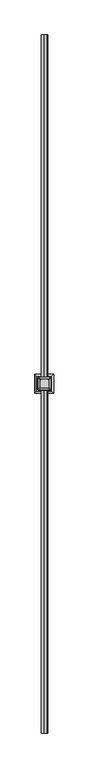
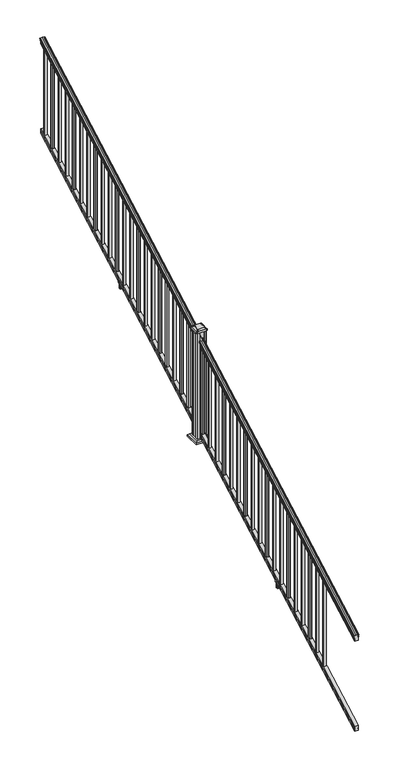
"""IFC4 building model written with IfcOpenShell, lengths in millimetres: railing geometry."""

from ifc_helpers import new_model, si_unit, point, frame, frame_2d, origin, place, context, project, spatial, polyline, circle_curve, ellipse_curve, trimmed, segment, composite_curve, outline, extrude, faceted_brep, source, transform, mapped, element, save
from ifc_brep_helpers import plane_surface, cylinder_surface, revolved_surface, extruded_surface, advanced_brep


def railing_1a8b3f1d(model_context):
    return source(origin(), model_context, "Body", "SolidModel", [
        advanced_brep(
        [(10358.2270946, 1778.9805319, 1111.1933), (10358.2270946, 1778.9805319, 1113.3531886), (10359.3572809, 1778.9805319, 1115.140347), (10359.3572809, 1778.9805319, 1123.3974153), (10358.7080245, 1778.9805319, 1126.1811654), (10361.2080245, 1778.9805319, 1131.1346527), (10362.617367, 1778.9805319, 1133.0560334), (10363.019266, 1778.9805319, 1134.3198045), (10363.0192659, 1778.9805319, 1135.8530343), (10361.4658186, 1778.9805319, 1137.6301141), (10340.7942659, 1778.9805319, 1137.6301141), (10320.1227131, 1778.9805319, 1137.6301141), (10318.5692659, 1778.9805319, 1135.8530343), (10318.5692659, 1778.9805319, 1134.3198045), (10318.9711648, 1778.9805319, 1133.0560334), (10320.3805072, 1778.9805319, 1131.1346527), (10322.8805072, 1778.9805319, 1126.1811654), (10322.2312508, 1778.9805319, 1123.3974153), (10322.2312508, 1778.9805319, 1115.140347), (10323.3614371, 1778.9805319, 1113.3531886), (10323.3614371, 1778.9805319, 1111.1933), (10325.9352659, 1778.9805319, 1111.1933), (10325.9352659, 1778.9805319, 1099.182302), (10324.9192659, 1778.9805319, 1098.0200397), (10324.9192659, 1778.9805319, 1083.7333333), (10356.6692659, 1778.9805319, 1083.7333333), (10356.6692659, 1778.9805319, 1097.8395054), (10355.6532659, 1778.9805319, 1099.0017677), (10355.6532659, 1778.9805319, 1111.1933), (10358.2270946, 6655.7805319, 3820.5266334), (10355.6532659, 6655.7805319, 3820.5266334), (10355.6532659, 6655.7805319, 3808.335101), (10356.6692659, 6655.7805319, 3807.1728388), (10356.6692659, 6655.7805319, 3793.0666667), (10324.9192659, 6655.7805319, 3793.0666667), (10324.9192659, 6655.7805319, 3807.3533731), (10325.9352659, 6655.7805319, 3808.5156353), (10325.9352659, 6655.7805319, 3820.5266334), (10323.3614371, 6655.7805319, 3820.5266334), (10323.3614371, 6655.7805319, 3822.6865219), (10322.2312508, 6655.7805319, 3824.4736803), (10322.2312508, 6655.7805319, 3832.7307486), (10322.8805072, 6655.7805319, 3835.5144987), (10320.3805072, 6655.7805319, 3840.4679861), (10318.9711648, 6655.7805319, 3842.3893668), (10318.5692658, 6655.7805319, 3843.6531378), (10318.5692659, 6655.7805319, 3845.1863676), (10320.1227131, 6655.7805319, 3846.9634474), (10340.7942659, 6655.7805319, 3846.9634474), (10361.4658186, 6655.7805319, 3846.9634474), (10363.0192659, 6655.7805319, 3845.1863676), (10363.0192659, 6655.7805319, 3843.6531378), (10362.617367, 6655.7805319, 3842.3893668), (10361.2080245, 6655.7805319, 3840.4679861), (10358.7080245, 6655.7805319, 3835.5144987), (10359.3572809, 6655.7805319, 3832.7307486), (10359.3572809, 6655.7805319, 3824.4736803), (10358.2270946, 6655.7805319, 3822.6865219)],
        [
            (0, 1),
            (1, 2, ellipse_curve(frame((10351.9123413, 1778.9805319, 1119.9403628), z_axis=(0.0, -1.0, 0.0), x_axis=(0.0, 0.0, -1.0)), 9.7762168, 8.545951)),
            (2, 3, ellipse_curve(frame((10352.3494043, 1778.9805319, 1119.2688811), z_axis=(0.0, -1.0, 0.0), x_axis=(0.0, 0.0, -1.0)), 9.0173521, 7.882584)),
            (3, 4, ellipse_curve(frame((10362.8627284, 1778.9805319, 1125.9582895), z_axis=(0.0, 1.0, 0.0), x_axis=(0.0, 0.0, 1.0)), 4.7580334, 4.1592695)),
            (4, 5, ellipse_curve(frame((10364.150035, 1778.9805319, 1125.8892329), z_axis=(0.0, 1.0, 0.0), x_axis=(0.0, 0.0, 1.0)), 6.2322774, 5.4479907)),
            (5, 6, ellipse_curve(frame((10362.9168765, 1778.9805319, 1131.1314345), z_axis=(0.0, 1.0, 0.0), x_axis=(0.0, 0.0, 1.0)), 1.9548591, 1.7088543)),
            (6, 7, ellipse_curve(frame((10361.2999764, 1778.9805319, 1134.3198045), z_axis=(0.0, -1.0, 0.0), x_axis=(0.0, 0.0, -1.0)), 1.9667965, 1.7192895)),
            (7, 8),
            (8, 9, ellipse_curve(frame((10361.4658186, 1778.9805319, 1135.8530343), z_axis=(0.0, -1.0, 0.0), x_axis=(0.0, 0.0, -1.0)), 1.7770798, 1.5534472)),
            (9, 10),
            (10, 11),
            (11, 12, ellipse_curve(frame((10320.1227131, 1778.9805319, 1135.8530343), z_axis=(0.0, -1.0, 0.0), x_axis=(0.0, 0.0, -1.0)), 1.7770798, 1.5534472)),
            (12, 13),
            (13, 14, ellipse_curve(frame((10320.2885553, 1778.9805319, 1134.3198045), z_axis=(0.0, -1.0, 0.0), x_axis=(0.0, 0.0, -1.0)), 1.9667965, 1.7192895)),
            (14, 15, ellipse_curve(frame((10318.6716552, 1778.9805319, 1131.1314345), z_axis=(0.0, 1.0, 0.0), x_axis=(0.0, 0.0, 1.0)), 1.9548591, 1.7088543)),
            (15, 16, ellipse_curve(frame((10317.4384968, 1778.9805319, 1125.8892329), z_axis=(0.0, 1.0, 0.0), x_axis=(0.0, 0.0, 1.0)), 6.2322774, 5.4479907)),
            (16, 17, ellipse_curve(frame((10318.7258033, 1778.9805319, 1125.9582895), z_axis=(0.0, 1.0, 0.0), x_axis=(0.0, 0.0, 1.0)), 4.7580334, 4.1592695)),
            (17, 18, ellipse_curve(frame((10329.2391275, 1778.9805319, 1119.2688811), z_axis=(0.0, -1.0, 0.0), x_axis=(0.0, 0.0, -1.0)), 9.0173521, 7.882584)),
            (18, 19, ellipse_curve(frame((10329.6761904, 1778.9805319, 1119.9403628), z_axis=(0.0, -1.0, 0.0), x_axis=(0.0, 0.0, -1.0)), 9.7762168, 8.545951)),
            (19, 20),
            (20, 21, ellipse_curve(frame((10324.6483515, 1778.9805319, 1111.1933), z_axis=(0.0, -1.0, 0.0), x_axis=(0.0, 0.0, -1.0)), 1.4721772, 1.2869144)),
            (21, 22),
            (22, 23),
            (23, 24),
            (24, 25),
            (25, 26),
            (26, 27),
            (27, 28),
            (28, 0, ellipse_curve(frame((10356.9401802, 1778.9805319, 1111.1933), z_axis=(0.0, -1.0, 0.0), x_axis=(0.0, 0.0, -1.0)), 1.4721772, 1.2869144)),
            (29, 30, ellipse_curve(frame((10356.9401802, 6655.7805319, 3820.5266334), z_axis=(0.0, 1.0, 0.0), x_axis=(0.0, 0.0, -1.0)), 1.4721772, 1.2869144)),
            (30, 31),
            (31, 32),
            (32, 33),
            (33, 34),
            (34, 35),
            (35, 36),
            (36, 37),
            (37, 38, ellipse_curve(frame((10324.6483515, 6655.7805319, 3820.5266334), z_axis=(0.0, 1.0, 0.0), x_axis=(0.0, 0.0, -1.0)), 1.4721772, 1.2869144)),
            (38, 39),
            (39, 40, ellipse_curve(frame((10329.6761904, 6655.7805319, 3829.2736961), z_axis=(0.0, 1.0, 0.0), x_axis=(0.0, 0.0, -1.0)), 9.7762168, 8.545951)),
            (40, 41, ellipse_curve(frame((10329.2391275, 6655.7805319, 3828.6022145), z_axis=(0.0, 1.0, 0.0), x_axis=(0.0, 0.0, -1.0)), 9.0173521, 7.882584)),
            (41, 42, ellipse_curve(frame((10318.7258033, 6655.7805319, 3835.2916228), z_axis=(0.0, -1.0, 0.0), x_axis=(0.0, 0.0, 1.0)), 4.7580334, 4.1592695)),
            (42, 43, ellipse_curve(frame((10317.4384968, 6655.7805319, 3835.2225663), z_axis=(0.0, -1.0, 0.0), x_axis=(0.0, 0.0, 1.0)), 6.2322774, 5.4479907)),
            (43, 44, ellipse_curve(frame((10318.6716552, 6655.7805319, 3840.4647678), z_axis=(0.0, -1.0, 0.0), x_axis=(0.0, 0.0, 1.0)), 1.9548591, 1.7088543)),
            (44, 45, ellipse_curve(frame((10320.2885553, 6655.7805319, 3843.6531378), z_axis=(0.0, 1.0, 0.0), x_axis=(0.0, 0.0, -1.0)), 1.9667965, 1.7192895)),
            (45, 46),
            (46, 47, ellipse_curve(frame((10320.1227131, 6655.7805319, 3845.1863676), z_axis=(0.0, 1.0, 0.0), x_axis=(0.0, 0.0, -1.0)), 1.7770798, 1.5534472)),
            (47, 48),
            (48, 49),
            (49, 50, ellipse_curve(frame((10361.4658186, 6655.7805319, 3845.1863676), z_axis=(0.0, 1.0, 0.0), x_axis=(0.0, 0.0, -1.0)), 1.7770798, 1.5534472)),
            (50, 51),
            (51, 52, ellipse_curve(frame((10361.2999764, 6655.7805319, 3843.6531378), z_axis=(0.0, 1.0, 0.0), x_axis=(0.0, 0.0, -1.0)), 1.9667965, 1.7192895)),
            (52, 53, ellipse_curve(frame((10362.9168765, 6655.7805319, 3840.4647678), z_axis=(0.0, -1.0, 0.0), x_axis=(0.0, 0.0, 1.0)), 1.9548591, 1.7088543)),
            (53, 54, ellipse_curve(frame((10364.150035, 6655.7805319, 3835.2225663), z_axis=(0.0, -1.0, 0.0), x_axis=(0.0, 0.0, 1.0)), 6.2322774, 5.4479907)),
            (54, 55, ellipse_curve(frame((10362.8627284, 6655.7805319, 3835.2916228), z_axis=(0.0, -1.0, 0.0), x_axis=(0.0, 0.0, 1.0)), 4.7580334, 4.1592695)),
            (55, 56, ellipse_curve(frame((10352.3494043, 6655.7805319, 3828.6022145), z_axis=(0.0, 1.0, 0.0), x_axis=(0.0, 0.0, -1.0)), 9.0173521, 7.882584)),
            (56, 57, ellipse_curve(frame((10351.9123413, 6655.7805319, 3829.2736961), z_axis=(0.0, 1.0, 0.0), x_axis=(0.0, 0.0, -1.0)), 9.7762168, 8.545951)),
            (57, 29),
            (0, 29),
            (57, 1),
            (56, 2),
            (55, 3),
            (54, 4),
            (53, 5),
            (52, 6),
            (51, 7),
            (50, 8),
            (49, 9),
            (48, 10),
            (47, 11),
            (46, 12),
            (45, 13),
            (44, 14),
            (43, 15),
            (42, 16),
            (41, 17),
            (40, 18),
            (39, 19),
            (38, 20),
            (37, 21),
            (36, 22),
            (35, 23),
            (34, 24),
            (33, 25),
            (32, 26),
            (31, 27),
            (30, 28),
        ],
        [
            plane_surface(frame((10340.7942659, 1778.9805319, 1083.7333333), z_axis=(0.0, -1.0, 0.0), x_axis=(0.0, 0.0, 1.0))),
            plane_surface(frame((10340.7942659, 6655.7805319, 3793.0666667), z_axis=(0.0, 1.0, 0.0), x_axis=(0.0, 0.0, 1.0))),
            plane_surface(frame((10358.2270946, 1778.9805319, 1111.1933), z_axis=(1.0, 0.0, 0.0), x_axis=(0.0, 0.87415727612157, 0.4856429311785742))),
            cylinder_surface(frame((10351.9123413, 1763.6096232, 1111.4009691), z_axis=(0.0, -0.87415727612157, -0.4856429311785741), x_axis=(-1.0, 0.0, 0.0)), 8.545951),
            cylinder_surface(frame((10352.3494043, 1763.8946861, 1110.8878557), z_axis=(0.0, -0.87415727612157, -0.4856429311785741), x_axis=(-1.0, 0.0, 0.0)), 7.882584),
            revolved_surface(polyline([(10358.7034589, 6657.80045174452, 3836.4138004798638), (10358.7034589, 1776.9606120792462, 1124.8361117773575)]), (10362.8627284, 1761.054843, 1115.9995734), (0.0, 0.87415727612157, 0.4856429311785741)),
            revolved_surface(polyline([(10358.7020443, 6658.42631004169, 3836.692443044958), (10358.7020443, 1776.3347537301895, 1124.4193562056596)]), (10364.150035, 1761.0841594, 1115.9468038), (0.0, 0.87415727612157, 0.4856429311785741)),
            revolved_surface(polyline([(10361.208022199999, 6656.610424923765, 3840.925819457222), (10361.208022199999, 1778.1506389094347, 1130.6703827830177)]), (10362.9168765, 1758.8586965, 1119.952637), (0.0, 0.87415727612157, 0.4856429311785741)),
            cylinder_surface(frame((10361.2999764, 1757.5051432, 1122.389033), z_axis=(0.0, -0.87415727612157, -0.4856429311785741), x_axis=(-1.0, 0.0, 0.0)), 1.7192895),
            plane_surface(frame((10363.0192659, 1778.9805319, 1134.3198045), z_axis=(1.0, 0.0, 0.0), x_axis=(0.0, 0.87415727612157, 0.4856429311785742))),
            cylinder_surface(frame((10361.4658186, 1756.8542438, 1123.560652), z_axis=(0.0, -0.87415727612157, -0.4856429311785741), x_axis=(-1.0, 0.0, 0.0)), 1.5534472),
            plane_surface(frame((10361.4658186, 1778.9805319, 1137.6301141), z_axis=(0.0, -0.4856429311785742, 0.87415727612157), x_axis=(0.0, 0.87415727612157, 0.4856429311785742))),
            plane_surface(frame((10340.7942659, 1778.9805319, 1137.6301141), z_axis=(0.0, -0.4856429311785742, 0.87415727612157), x_axis=(0.0, 0.87415727612157, 0.4856429311785742))),
            cylinder_surface(frame((10320.1227131, 1756.8542438, 1123.560652), z_axis=(0.0, -0.87415727612157, -0.4856429311785741), x_axis=(1.0, 0.0, 0.0)), 1.5534472),
            plane_surface(frame((10318.5692659, 1778.9805319, 1135.8530343), z_axis=(-1.0, 0.0, 0.0), x_axis=(0.0, 0.87415727612157, 0.4856429311785741))),
            cylinder_surface(frame((10320.2885553, 1757.5051432, 1122.389033), z_axis=(0.0, -0.87415727612157, -0.4856429311785741), x_axis=(1.0, 0.0, 0.0)), 1.7192895),
            revolved_surface(polyline([(10320.3805095, 6656.610424923765, 3840.925819457222), (10320.3805095, 1778.1506389094347, 1130.6703827830177)]), (10318.6716552, 1758.8586965, 1119.952637), (0.0, 0.87415727612157, 0.4856429311785741)),
            revolved_surface(polyline([(10322.8864875, 6658.42631004169, 3836.692443044958), (10322.8864875, 1776.3347537301895, 1124.4193562056596)]), (10317.4384968, 1761.0841594, 1115.9468038), (0.0, 0.87415727612157, 0.4856429311785741)),
            revolved_surface(polyline([(10322.8850728, 6657.80045174452, 3836.4138004798638), (10322.8850728, 1776.9606120792462, 1124.8361117773575)]), (10318.7258033, 1761.054843, 1115.9995734), (0.0, 0.87415727612157, 0.4856429311785741)),
            cylinder_surface(frame((10329.2391275, 1763.8946861, 1110.8878557), z_axis=(0.0, -0.87415727612157, -0.4856429311785741), x_axis=(1.0, 0.0, 0.0)), 7.882584),
            cylinder_surface(frame((10329.6761904, 1763.6096232, 1111.4009691), z_axis=(0.0, -0.87415727612157, -0.4856429311785741), x_axis=(1.0, 0.0, 0.0)), 8.545951),
            plane_surface(frame((10323.3614371, 1778.9805319, 1113.3531886), z_axis=(-1.0, 0.0, 0.0), x_axis=(0.0, 0.87415727612157, 0.4856429311785741))),
            cylinder_surface(frame((10324.6483515, 1767.3229989, 1104.7168928), z_axis=(0.0, -0.87415727612157, -0.4856429311785741), x_axis=(1.0, 0.0, 0.0)), 1.2869144),
            plane_surface(frame((10325.9352659, 1778.9805319, 1111.1933), z_axis=(-1.0, 0.0, 0.0), x_axis=(0.0, 0.87415727612157, 0.4856429311785742))),
            plane_surface(frame((10325.9352659, 1778.9805319, 1099.182302), z_axis=(-0.7071067811865438, -0.3434014098716826, 0.6181225377691273), x_axis=(0.0, 0.87415727612157, 0.4856429311785743))),
            plane_surface(frame((10324.9192659, 1778.9805319, 1098.0200397), z_axis=(-1.0, 0.0, 0.0), x_axis=(0.0, 0.87415727612157, 0.4856429311785741))),
            plane_surface(frame((10324.9192659, 1778.9805319, 1083.7333333), z_axis=(0.0, 0.4856429311785741, -0.87415727612157), x_axis=(0.0, 0.87415727612157, 0.4856429311785741))),
            plane_surface(frame((10356.6692659, 1778.9805319, 1083.7333333), z_axis=(1.0, 0.0, 0.0), x_axis=(0.0, 0.87415727612157, 0.4856429311785741))),
            plane_surface(frame((10356.6692659, 1778.9805319, 1097.8395054), z_axis=(0.7071067811865391, -0.34340140987168666, 0.6181225377691304), x_axis=(0.0, 0.87415727612157, 0.4856429311785741))),
            plane_surface(frame((10355.6532659, 1778.9805319, 1099.0017677), z_axis=(1.0, 0.0, 0.0), x_axis=(0.0, 0.87415727612157, 0.4856429311785741))),
            cylinder_surface(frame((10356.9401802, 1767.3229989, 1104.7168928), z_axis=(0.0, -0.87415727612157, -0.4856429311785741), x_axis=(-1.0, 0.0, 0.0)), 1.2869144),
        ],
        [
            (0, [[1, 2, 3, 4, 5, 6, 7, 8, 9, 10, 11, 12, 13, 14, 15, 16, 17, 18, 19, 20, 21, 22, 23, 24, 25, 26, 27, 28, 29]]),
            (1, [[30, 31, 32, 33, 34, 35, 36, 37, 38, 39, 40, 41, 42, 43, 44, 45, 46, 47, 48, 49, 50, 51, 52, 53, 54, 55, 56, 57, 58]]),
            (2, [[-1, 59, -58, 60]]),
            (3, [[-2, -60, -57, 61]]),
            (4, [[-3, -61, -56, 62]]),
            (5, [[-4, -62, -55, 63]]),
            (6, [[-5, -63, -54, 64]]),
            (7, [[-6, -64, -53, 65]]),
            (8, [[-7, -65, -52, 66]]),
            (9, [[-8, -66, -51, 67]]),
            (10, [[-9, -67, -50, 68]]),
            (11, [[-10, -68, -49, 69]]),
            (12, [[-11, -69, -48, 70]]),
            (13, [[-12, -70, -47, 71]]),
            (14, [[-13, -71, -46, 72]]),
            (15, [[-14, -72, -45, 73]]),
            (16, [[-15, -73, -44, 74]]),
            (17, [[-16, -74, -43, 75]]),
            (18, [[-17, -75, -42, 76]]),
            (19, [[-18, -76, -41, 77]]),
            (20, [[-19, -77, -40, 78]]),
            (21, [[-20, -78, -39, 79]]),
            (22, [[-21, -79, -38, 80]]),
            (23, [[-22, -80, -37, 81]]),
            (24, [[-23, -81, -36, 82]]),
            (25, [[-24, -82, -35, 83]]),
            (26, [[-25, -83, -34, 84]]),
            (27, [[-26, -84, -33, 85]]),
            (28, [[-27, -85, -32, 86]]),
            (29, [[-28, -86, -31, 87]]),
            (30, [[-29, -87, -30, -59]]),
        ],
    ),
        faceted_brep([(10356.7067528, 1778.9805319, 247.1948195), (10355.6907528, 1778.9805319, 248.6824473), (10355.6907528, 1778.9805319, 260.5333506), (10356.7067528, 1778.9805319, 262.0757247), (10356.7067528, 1778.9805319, 276.4134523), (10324.9567528, 1778.9805319, 276.4134523), (10324.9567528, 1778.9805319, 262.0566814), (10325.9727528, 1778.9805319, 260.5143074), (10325.9727528, 1778.9805319, 248.7181503), (10324.9567528, 1778.9805319, 247.1757762), (10324.9567528, 1778.9805319, 232.8333333), (10356.7067528, 1778.9805319, 232.8333333), (10356.7067528, 6655.7805319, 2956.5281528), (10356.7067528, 6655.7805319, 2942.1666667), (10324.9567528, 6655.7805319, 2942.1666667), (10324.9567528, 6655.7805319, 2956.5091096), (10325.9727528, 6655.7805319, 2958.0514837), (10325.9727528, 6655.7805319, 2969.8476407), (10324.9567528, 6655.7805319, 2971.3900148), (10324.9567528, 6655.7805319, 2985.7467856), (10356.7067528, 6655.7805319, 2985.7467856), (10356.7067528, 6655.7805319, 2971.409058), (10355.6907528, 6655.7805319, 2969.8666839), (10355.6907528, 6655.7805319, 2958.0157807)], [[[0, 1, 2, 3, 4, 5, 6, 7, 8, 9, 10, 11]], [[12, 13, 14, 15, 16, 17, 18, 19, 20, 21, 22, 23]], [[1, 0, 12, 23]], [[2, 1, 23, 22]], [[3, 2, 22, 21]], [[4, 3, 21, 20]], [[5, 4, 20, 19]], [[6, 5, 19, 18]], [[7, 6, 18, 17]], [[8, 7, 17, 16]], [[9, 8, 16, 15]], [[10, 9, 15, 14]], [[11, 10, 14, 13]], [[0, 11, 13, 12]]]),
        extrude(outline(polyline([(10350.3192659, 6599.0115319), (10331.2692659, 6599.0115319), (10331.2692659, 6618.0615319), (10350.3192659, 6618.0615319), (10350.3192659, 6599.0115319)]), holes=[polyline([(10349.9223909, 6599.4084069), (10349.9223909, 6617.6646569), (10331.6661409, 6617.6646569), (10331.6661409, 6599.4084069), (10349.9223909, 6599.4084069)])]), frame((0.0, 0.0, 2954.0158781), z_axis=(0.0, 0.0, 1.0), x_axis=(1.0, 0.0, 0.0)), (0.0, 0.0, 1.0), 812.8041219),
        extrude(outline(polyline([(10350.3192659, 6487.7595319), (10331.2692659, 6487.7595319), (10331.2692659, 6506.8095319), (10350.3192659, 6506.8095319), (10350.3192659, 6487.7595319)]), holes=[polyline([(10349.9223909, 6488.1564069), (10349.9223909, 6506.4126569), (10331.6661409, 6506.4126569), (10331.6661409, 6488.1564069), (10349.9223909, 6488.1564069)])]), frame((0.0, 0.0, 2892.2092114), z_axis=(0.0, 0.0, 1.0), x_axis=(1.0, 0.0, 0.0)), (0.0, 0.0, 1.0), 812.8041219),
        extrude(outline(polyline([(10350.3192659, 6376.5075319), (10331.2692659, 6376.5075319), (10331.2692659, 6395.5575319), (10350.3192659, 6395.5575319), (10350.3192659, 6376.5075319)]), holes=[polyline([(10349.9223909, 6376.9044069), (10349.9223909, 6395.1606569), (10331.6661409, 6395.1606569), (10331.6661409, 6376.9044069), (10349.9223909, 6376.9044069)])]), frame((0.0, 0.0, 2830.4025447), z_axis=(0.0, 0.0, 1.0), x_axis=(1.0, 0.0, 0.0)), (0.0, 0.0, 1.0), 812.8041219),
        extrude(outline(polyline([(10350.3192659, 6265.2555319), (10331.2692659, 6265.2555319), (10331.2692659, 6284.3055319), (10350.3192659, 6284.3055319), (10350.3192659, 6265.2555319)]), holes=[polyline([(10349.9223909, 6265.6524069), (10349.9223909, 6283.9086569), (10331.6661409, 6283.9086569), (10331.6661409, 6265.6524069), (10349.9223909, 6265.6524069)])]), frame((0.0, 0.0, 2768.5958781), z_axis=(0.0, 0.0, 1.0), x_axis=(1.0, 0.0, 0.0)), (0.0, 0.0, 1.0), 812.8041219),
        extrude(outline(polyline([(10350.3192659, 6154.0035319), (10331.2692659, 6154.0035319), (10331.2692659, 6173.0535319), (10350.3192659, 6173.0535319), (10350.3192659, 6154.0035319)]), holes=[polyline([(10349.9223909, 6154.4004069), (10349.9223909, 6172.6566569), (10331.6661409, 6172.6566569), (10331.6661409, 6154.4004069), (10349.9223909, 6154.4004069)])]), frame((0.0, 0.0, 2706.7892114), z_axis=(0.0, 0.0, 1.0), x_axis=(1.0, 0.0, 0.0)), (0.0, 0.0, 1.0), 812.8041219),
        extrude(outline(polyline([(10350.3192659, 6042.7515319), (10331.2692659, 6042.7515319), (10331.2692659, 6061.8015319), (10350.3192659, 6061.8015319), (10350.3192659, 6042.7515319)]), holes=[polyline([(10349.9223909, 6043.1484069), (10349.9223909, 6061.4046569), (10331.6661409, 6061.4046569), (10331.6661409, 6043.1484069), (10349.9223909, 6043.1484069)])]), frame((0.0, 0.0, 2644.9825447), z_axis=(0.0, 0.0, 1.0), x_axis=(1.0, 0.0, 0.0)), (0.0, 0.0, 1.0), 812.8041219),
        extrude(outline(polyline([(10350.3192659, 5931.4995319), (10331.2692659, 5931.4995319), (10331.2692659, 5950.5495319), (10350.3192659, 5950.5495319), (10350.3192659, 5931.4995319)]), holes=[polyline([(10349.9223909, 5931.8964069), (10349.9223909, 5950.1526569), (10331.6661409, 5950.1526569), (10331.6661409, 5931.8964069), (10349.9223909, 5931.8964069)])]), frame((0.0, 0.0, 2583.1758781), z_axis=(0.0, 0.0, 1.0), x_axis=(1.0, 0.0, 0.0)), (0.0, 0.0, 1.0), 812.8041219),
        extrude(outline(polyline([(10350.3192659, 5820.2475319), (10331.2692659, 5820.2475319), (10331.2692659, 5839.2975319), (10350.3192659, 5839.2975319), (10350.3192659, 5820.2475319)]), holes=[polyline([(10349.9223909, 5820.6444069), (10349.9223909, 5838.9006569), (10331.6661409, 5838.9006569), (10331.6661409, 5820.6444069), (10349.9223909, 5820.6444069)])]), frame((0.0, 0.0, 2521.3692114), z_axis=(0.0, 0.0, 1.0), x_axis=(1.0, 0.0, 0.0)), (0.0, 0.0, 1.0), 812.8041219),
        extrude(outline(polyline([(10350.3192659, 5708.9955319), (10331.2692659, 5708.9955319), (10331.2692659, 5728.0455319), (10350.3192659, 5728.0455319), (10350.3192659, 5708.9955319)]), holes=[polyline([(10349.9223909, 5709.3924069), (10349.9223909, 5727.6486569), (10331.6661409, 5727.6486569), (10331.6661409, 5709.3924069), (10349.9223909, 5709.3924069)])]), frame((0.0, 0.0, 2459.5625447), z_axis=(0.0, 0.0, 1.0), x_axis=(1.0, 0.0, 0.0)), (0.0, 0.0, 1.0), 812.8041219),
        extrude(outline(polyline([(10350.3192659, 5597.7435319), (10331.2692659, 5597.7435319), (10331.2692659, 5616.7935319), (10350.3192659, 5616.7935319), (10350.3192659, 5597.7435319)]), holes=[polyline([(10349.9223909, 5598.1404069), (10349.9223909, 5616.3966569), (10331.6661409, 5616.3966569), (10331.6661409, 5598.1404069), (10349.9223909, 5598.1404069)])]), frame((0.0, 0.0, 2397.7558781), z_axis=(0.0, 0.0, 1.0), x_axis=(1.0, 0.0, 0.0)), (0.0, 0.0, 1.0), 812.8041219),
        extrude(outline(polyline([(10350.3192659, 5486.4915319), (10331.2692659, 5486.4915319), (10331.2692659, 5505.5415319), (10350.3192659, 5505.5415319), (10350.3192659, 5486.4915319)]), holes=[polyline([(10349.9223909, 5486.8884069), (10349.9223909, 5505.1446569), (10331.6661409, 5505.1446569), (10331.6661409, 5486.8884069), (10349.9223909, 5486.8884069)])]), frame((0.0, 0.0, 2335.9492114), z_axis=(0.0, 0.0, 1.0), x_axis=(1.0, 0.0, 0.0)), (0.0, 0.0, 1.0), 812.8041219),
        extrude(outline(polyline([(2290.0537313, 10322.6332671), (2289.2917302, 10321.871266), (2262.8013357, 10321.871266), (2262.0393346, 10322.6332671), (2262.0393346, 10332.6662661), (2261.2773345, 10333.4282662), (2202.0953334, 10333.4282662), (2201.3333333, 10334.1902663), (2201.3333333, 10347.3982655), (2202.0953344, 10348.1602665), (2261.2773345, 10348.1602665), (2262.0393346, 10348.9222666), (2262.0393346, 10358.9552657), (2262.8013357, 10359.7172667), (2289.2917302, 10359.7172667), (2290.0537313, 10358.9552657), (2290.0537313, 10356.9232661), (2289.0377286, 10355.9072663), (2278.6019414, 10355.9072663), (2277.5859407, 10356.9232661), (2265.5953344, 10356.9232661), (2264.8333352, 10356.1612669), (2264.8333352, 10325.4272658), (2265.5953344, 10324.6652666), (2277.5859407, 10324.6652666), (2278.6019414, 10325.6812664), (2289.0377286, 10325.6812664), (2290.0537313, 10324.6652666), (2290.0537313, 10322.6332671)]), holes=[polyline([(2262.0393346, 10344.2232663), (2261.2773345, 10344.9852663), (2205.2703365, 10344.9852663), (2204.5083364, 10344.2232663), (2204.5083364, 10337.3652636), (2205.2703336, 10336.6032664), (2261.2773345, 10336.6032664), (2262.0393346, 10337.3652665), (2262.0393346, 10344.2232663)])]), frame((0.0, 5433.0245319, 0.0), z_axis=(0.0, 1.0, 0.0), x_axis=(0.0, 0.0, 1.0)), (0.0, 0.0, 1.0), 14.732),
        extrude(outline(polyline([(10350.3192659, 5375.2395319), (10331.2692659, 5375.2395319), (10331.2692659, 5394.2895319), (10350.3192659, 5394.2895319), (10350.3192659, 5375.2395319)]), holes=[polyline([(10349.9223909, 5375.6364069), (10349.9223909, 5393.8926569), (10331.6661409, 5393.8926569), (10331.6661409, 5375.6364069), (10349.9223909, 5375.6364069)])]), frame((0.0, 0.0, 2274.1425447), z_axis=(0.0, 0.0, 1.0), x_axis=(1.0, 0.0, 0.0)), (0.0, 0.0, 1.0), 812.8041219),
        extrude(outline(polyline([(10350.3192659, 5263.9875319), (10331.2692659, 5263.9875319), (10331.2692659, 5283.0375319), (10350.3192659, 5283.0375319), (10350.3192659, 5263.9875319)]), holes=[polyline([(10349.9223909, 5264.3844069), (10349.9223909, 5282.6406569), (10331.6661409, 5282.6406569), (10331.6661409, 5264.3844069), (10349.9223909, 5264.3844069)])]), frame((0.0, 0.0, 2212.3358781), z_axis=(0.0, 0.0, 1.0), x_axis=(1.0, 0.0, 0.0)), (0.0, 0.0, 1.0), 812.8041219),
        extrude(outline(polyline([(10350.3192659, 5152.7355319), (10331.2692659, 5152.7355319), (10331.2692659, 5171.7855319), (10350.3192659, 5171.7855319), (10350.3192659, 5152.7355319)]), holes=[polyline([(10349.9223909, 5153.1324069), (10349.9223909, 5171.3886569), (10331.6661409, 5171.3886569), (10331.6661409, 5153.1324069), (10349.9223909, 5153.1324069)])]), frame((0.0, 0.0, 2150.5292114), z_axis=(0.0, 0.0, 1.0), x_axis=(1.0, 0.0, 0.0)), (0.0, 0.0, 1.0), 812.8041219),
        extrude(outline(polyline([(10350.3192659, 5041.4835319), (10331.2692659, 5041.4835319), (10331.2692659, 5060.5335319), (10350.3192659, 5060.5335319), (10350.3192659, 5041.4835319)]), holes=[polyline([(10349.9223909, 5041.8804069), (10349.9223909, 5060.1366569), (10331.6661409, 5060.1366569), (10331.6661409, 5041.8804069), (10349.9223909, 5041.8804069)])]), frame((0.0, 0.0, 2088.7225447), z_axis=(0.0, 0.0, 1.0), x_axis=(1.0, 0.0, 0.0)), (0.0, 0.0, 1.0), 812.8041219),
        extrude(outline(polyline([(10350.3192659, 4930.2315319), (10331.2692659, 4930.2315319), (10331.2692659, 4949.2815319), (10350.3192659, 4949.2815319), (10350.3192659, 4930.2315319)]), holes=[polyline([(10349.9223909, 4930.6284069), (10349.9223909, 4948.8846569), (10331.6661409, 4948.8846569), (10331.6661409, 4930.6284069), (10349.9223909, 4930.6284069)])]), frame((0.0, 0.0, 2026.9158781), z_axis=(0.0, 0.0, 1.0), x_axis=(1.0, 0.0, 0.0)), (0.0, 0.0, 1.0), 812.8041219),
        extrude(outline(polyline([(10350.3192659, 4818.9795319), (10331.2692659, 4818.9795319), (10331.2692659, 4838.0295319), (10350.3192659, 4838.0295319), (10350.3192659, 4818.9795319)]), holes=[polyline([(10349.9223909, 4819.3764069), (10349.9223909, 4837.6326569), (10331.6661409, 4837.6326569), (10331.6661409, 4819.3764069), (10349.9223909, 4819.3764069)])]), frame((0.0, 0.0, 1965.1092114), z_axis=(0.0, 0.0, 1.0), x_axis=(1.0, 0.0, 0.0)), (0.0, 0.0, 1.0), 812.8041219),
        extrude(outline(polyline([(10350.3192659, 4707.7275319), (10331.2692659, 4707.7275319), (10331.2692659, 4726.7775319), (10350.3192659, 4726.7775319), (10350.3192659, 4707.7275319)]), holes=[polyline([(10349.9223909, 4708.1244069), (10349.9223909, 4726.3806569), (10331.6661409, 4726.3806569), (10331.6661409, 4708.1244069), (10349.9223909, 4708.1244069)])]), frame((0.0, 0.0, 1903.3025447), z_axis=(0.0, 0.0, 1.0), x_axis=(1.0, 0.0, 0.0)), (0.0, 0.0, 1.0), 812.8041219),
        extrude(outline(polyline([(10350.3192659, 4596.4755319), (10331.2692659, 4596.4755319), (10331.2692659, 4615.5255319), (10350.3192659, 4615.5255319), (10350.3192659, 4596.4755319)]), holes=[polyline([(10349.9223909, 4596.8724069), (10349.9223909, 4615.1286569), (10331.6661409, 4615.1286569), (10331.6661409, 4596.8724069), (10349.9223909, 4596.8724069)])]), frame((0.0, 0.0, 1841.4958781), z_axis=(0.0, 0.0, 1.0), x_axis=(1.0, 0.0, 0.0)), (0.0, 0.0, 1.0), 812.8041219),
        extrude(outline(polyline([(10350.3192659, 4485.2235319), (10331.2692659, 4485.2235319), (10331.2692659, 4504.2735319), (10350.3192659, 4504.2735319), (10350.3192659, 4485.2235319)]), holes=[polyline([(10349.9223909, 4485.6204069), (10349.9223909, 4503.8766569), (10331.6661409, 4503.8766569), (10331.6661409, 4485.6204069), (10349.9223909, 4485.6204069)])]), frame((0.0, 0.0, 1779.6892114), z_axis=(0.0, 0.0, 1.0), x_axis=(1.0, 0.0, 0.0)), (0.0, 0.0, 1.0), 812.8041219),
        extrude(outline(polyline([(10350.3192659, 4373.9715319), (10331.2692659, 4373.9715319), (10331.2692659, 4393.0215319), (10350.3192659, 4393.0215319), (10350.3192659, 4373.9715319)]), holes=[polyline([(10349.9223909, 4374.3684069), (10349.9223909, 4392.6246569), (10331.6661409, 4392.6246569), (10331.6661409, 4374.3684069), (10349.9223909, 4374.3684069)])]), frame((0.0, 0.0, 1717.8825447), z_axis=(0.0, 0.0, 1.0), x_axis=(1.0, 0.0, 0.0)), (0.0, 0.0, 1.0), 812.8041219),
        extrude(outline(polyline([(10350.3192659, 4262.7195319), (10331.2692659, 4262.7195319), (10331.2692659, 4281.7695319), (10350.3192659, 4281.7695319), (10350.3192659, 4262.7195319)]), holes=[polyline([(10349.9223909, 4263.1164069), (10349.9223909, 4281.3726569), (10331.6661409, 4281.3726569), (10331.6661409, 4263.1164069), (10349.9223909, 4263.1164069)])]), frame((0.0, 0.0, 1656.0758781), z_axis=(0.0, 0.0, 1.0), x_axis=(1.0, 0.0, 0.0)), (0.0, 0.0, 1.0), 812.8041219),
        faceted_brep([(10393.3802034, 4167.3345944, 1552.575), (10393.3802034, 4272.5064694, 1552.575), (10288.2083284, 4272.5064694, 1552.575), (10288.2083284, 4167.3345944, 1552.575), (10407.4196565, 4153.2951413, 1539.24), (10274.1688753, 4153.2951413, 1539.24), (10274.1688753, 4286.5459225, 1539.24), (10407.4196565, 4286.5459225, 1539.24)], [[[0, 1, 2, 3]], [[4, 5, 6, 7]], [[4, 0, 3, 5]], [[5, 3, 2, 6]], [[6, 2, 1, 7]], [[7, 1, 0, 4]]]),
        extrude(outline(polyline([(10407.4196565, 4153.2951413), (10274.1688753, 4153.2951413), (10274.1688753, 4286.5459225), (10407.4196565, 4286.5459225), (10407.4196565, 4153.2951413)])), frame((0.0, 0.0, 1524.0), z_axis=(0.0, 0.0, 1.0), x_axis=(1.0, 0.0, 0.0)), (0.0, 0.0, 1.0), 15.24),
        advanced_brep(
        [(10314.9973909, 4190.9486569, 2585.3503741), (10366.5911409, 4190.9486569, 2585.3503741), (10369.7661409, 4194.1236569, 2585.3503741), (10369.7661409, 4245.7174069, 2585.3503741), (10366.5911409, 4248.8924069, 2585.3503741), (10314.9973909, 4248.8924069, 2585.3503741), (10311.8223909, 4245.7174069, 2585.3503741), (10311.8223909, 4194.1236569, 2585.3503741), (10298.7255159, 4174.6767819, 2574.0473741), (10295.5505159, 4177.8517819, 2574.0473741), (10295.5505159, 4261.9892819, 2574.0473741), (10298.7255159, 4265.1642819, 2574.0473741), (10382.8630159, 4265.1642819, 2574.0473741), (10386.0380159, 4261.9892819, 2574.0473741), (10386.0380159, 4177.8517819, 2574.0473741), (10382.8630159, 4174.6767819, 2574.0473741)],
        [
            (0, 1),
            (1, 2, circle_curve(frame((10366.5911409, 4194.1236569, 2585.3503741), z_axis=(0.0, 0.0, 1.0), x_axis=(0.0, 1.0, 0.0)), 3.175)),
            (2, 3),
            (3, 4, circle_curve(frame((10366.5911409, 4245.7174069, 2585.3503741), z_axis=(0.0, 0.0, 1.0), x_axis=(0.0, 1.0, 0.0)), 3.175)),
            (4, 5),
            (5, 6, circle_curve(frame((10314.9973909, 4245.7174069, 2585.3503741), z_axis=(0.0, 0.0, 1.0), x_axis=(0.0, 1.0, 0.0)), 3.175)),
            (6, 7),
            (7, 0, circle_curve(frame((10314.9973909, 4194.1236569, 2585.3503741), z_axis=(0.0, 0.0, 1.0), x_axis=(0.0, 1.0, 0.0)), 3.175)),
            (8, 9, circle_curve(frame((10298.7255159, 4177.8517819, 2574.0473741), z_axis=(0.0, 0.0, -1.0), x_axis=(0.0, 1.0, 0.0)), 3.175)),
            (9, 10),
            (10, 11, circle_curve(frame((10298.7255159, 4261.9892819, 2574.0473741), z_axis=(0.0, 0.0, -1.0), x_axis=(0.0, 1.0, 0.0)), 3.175)),
            (11, 12),
            (12, 13, circle_curve(frame((10382.8630159, 4261.9892819, 2574.0473741), z_axis=(0.0, 0.0, -1.0), x_axis=(0.0, 1.0, 0.0)), 3.175)),
            (13, 14),
            (14, 15, circle_curve(frame((10382.8630159, 4177.8517819, 2574.0473741), z_axis=(0.0, 0.0, -1.0), x_axis=(0.0, 1.0, 0.0)), 3.175)),
            (15, 8),
            (8, 0),
            (7, 9),
            (6, 10),
            (5, 11),
            (4, 12),
            (3, 13),
            (2, 14),
            (1, 15),
        ],
        [
            plane_surface(frame((10340.7942659, 4219.9205319, 2585.3503741), z_axis=(0.0, 0.0, 1.0), x_axis=(-1.0, 0.0, 0.0))),
            plane_surface(frame((10340.7942659, 4219.9205319, 2574.0473741), z_axis=(0.0, 0.0, -1.0), x_axis=(-1.0, 0.0, 0.0))),
            extruded_surface(trimmed(circle_curve(frame((10314.9973909, 4194.1236569, 2585.3503741), z_axis=(0.0, 0.0, -1.0), x_axis=(0.0, 1.0, 0.0)), 3.175), [point((10314.9973909, 4190.9486569, 2585.3503741))], [point((10311.8223909, 4194.1236569, 2585.3503741))], True, "CARTESIAN"), (-16.271875000000364, -16.271875000000364, -11.302999999999884), 25.63797263886657),
            plane_surface(frame((10295.5505159, 4219.9205319, 2574.0473741), z_axis=(-0.5705009161540779, 0.0, 0.8212969649690408), x_axis=(0.0, 1.0, 0.0))),
            extruded_surface(trimmed(circle_curve(frame((10314.9973909, 4245.7174069, 2585.3503741), z_axis=(0.0, 0.0, -1.0), x_axis=(0.0, 1.0, 0.0)), 3.175), [point((10311.8223909, 4245.7174069, 2585.3503741))], [point((10314.9973909, 4248.8924069, 2585.3503741))], True, "CARTESIAN"), (-16.271875000000364, 16.271874999999454, -11.302999999999884), 25.637972638865996),
            plane_surface(frame((10340.7942659, 4265.1642819, 2574.0473741), z_axis=(0.0, 0.5705009161540291, 0.8212969649690747), x_axis=(1.0, 0.0, 0.0))),
            extruded_surface(trimmed(circle_curve(frame((10366.5911409, 4245.7174069, 2585.3503741), z_axis=(0.0, 0.0, -1.0), x_axis=(0.0, 1.0, 0.0)), 3.175), [point((10366.5911409, 4248.8924069, 2585.3503741))], [point((10369.7661409, 4245.7174069, 2585.3503741))], True, "CARTESIAN"), (16.271875000000364, 16.271874999999454, -11.302999999999884), 25.637972638865996),
            plane_surface(frame((10386.0380159, 4219.9205319, 2574.0473741), z_axis=(0.5705009161540141, 0.0, 0.8212969649690851), x_axis=(0.0, -1.0, 0.0))),
            extruded_surface(trimmed(circle_curve(frame((10366.5911409, 4194.1236569, 2585.3503741), z_axis=(0.0, 0.0, -1.0), x_axis=(0.0, 1.0, 0.0)), 3.175), [point((10369.7661409, 4194.1236569, 2585.3503741))], [point((10366.5911409, 4190.9486569, 2585.3503741))], True, "CARTESIAN"), (16.271875000000364, -16.271875000000364, -11.302999999999884), 25.63797263886657),
            plane_surface(frame((10340.7942659, 4174.6767819, 2574.0473741), z_axis=(0.0, -0.570500916154034, 0.8212969649690713), x_axis=(-1.0, 0.0, 0.0))),
        ],
        [
            (0, [[1, 2, 3, 4, 5, 6, 7, 8]]),
            (1, [[9, 10, 11, 12, 13, 14, 15, 16]]),
            (2, [[17, -8, 18, -9]]),
            (3, [[-18, -7, 19, -10]]),
            (4, [[-19, -6, 20, -11]]),
            (5, [[-20, -5, 21, -12]]),
            (6, [[-21, -4, 22, -13]]),
            (7, [[-22, -3, 23, -14]]),
            (8, [[-23, -2, 24, -15]]),
            (9, [[-24, -1, -17, -16]]),
        ],
    ),
        extrude(outline(composite_curve([segment(trimmed(circle_curve(frame_2d((10298.7255159, 4177.8517819)), 3.175), [point((10298.7255159, 4174.6767819))], [point((10295.5505159, 4177.8517819))], False, "CARTESIAN"), True, "CONTINUOUS"), segment(polyline([(10295.5505159, 4177.8517819), (10295.5505159, 4261.9892819)]), True, "CONTINUOUS"), segment(trimmed(circle_curve(frame_2d((10298.7255159, 4261.9892819)), 3.175), [point((10295.5505159, 4261.9892819))], [point((10298.7255159, 4265.1642819))], False, "CARTESIAN"), True, "CONTINUOUS"), segment(polyline([(10298.7255159, 4265.1642819), (10382.8630159, 4265.1642819)]), True, "CONTINUOUS"), segment(trimmed(circle_curve(frame_2d((10382.8630159, 4261.9892819)), 3.175), [point((10382.8630159, 4265.1642819))], [point((10386.0380159, 4261.9892819))], False, "CARTESIAN"), True, "CONTINUOUS"), segment(polyline([(10386.0380159, 4261.9892819), (10386.0380159, 4177.8517819)]), True, "CONTINUOUS"), segment(trimmed(circle_curve(frame_2d((10382.8630159, 4177.8517819)), 3.175), [point((10386.0380159, 4177.8517819))], [point((10382.8630159, 4174.6767819))], False, "CARTESIAN"), True, "CONTINUOUS"), segment(polyline([(10382.8630159, 4174.6767819), (10298.7255159, 4174.6767819)]), True, "CONTINUOUS")], self_intersect=False)), frame((0.0, 0.0, 2556.7753741), z_axis=(0.0, 0.0, 1.0), x_axis=(1.0, 0.0, 0.0)), (0.0, 0.0, 1.0), 17.272),
        extrude(outline(polyline([(10301.1067659, 4178.6455319), (10299.5192659, 4180.2330319), (10299.5192659, 4199.8545319), (10301.1067659, 4200.6165319), (10301.1067659, 4239.2245319), (10299.5192659, 4239.9865319), (10299.5192659, 4259.6080319), (10301.1067659, 4261.1955319), (10320.7282659, 4261.1955319), (10321.4902659, 4259.6080319), (10360.0982659, 4259.6080319), (10360.8602659, 4261.1955319), (10380.4817659, 4261.1955319), (10382.0692659, 4259.6080319), (10382.0692659, 4239.9865319), (10380.4817659, 4239.2245319), (10380.4817659, 4200.6165319), (10382.0692659, 4199.8545319), (10382.0692659, 4180.2330319), (10380.4817659, 4178.6455319), (10360.8602659, 4178.6455319), (10360.0982659, 4180.2330319), (10321.4902659, 4180.2330319), (10320.7282659, 4178.6455319), (10301.1067659, 4178.6455319)])), frame((0.0, 0.0, 1524.0), z_axis=(0.0, 0.0, 1.0), x_axis=(1.0, 0.0, 0.0)), (0.0, 0.0, 1.0), 1032.7753741),
        extrude(outline(polyline([(10350.3192659, 4158.0715319), (10331.2692659, 4158.0715319), (10331.2692659, 4177.1215319), (10350.3192659, 4177.1215319), (10350.3192659, 4158.0715319)]), holes=[polyline([(10349.9223909, 4158.4684069), (10349.9223909, 4176.7246569), (10331.6661409, 4176.7246569), (10331.6661409, 4158.4684069), (10349.9223909, 4158.4684069)])]), frame((0.0, 0.0, 1597.9381003), z_axis=(0.0, 0.0, 1.0), x_axis=(1.0, 0.0, 0.0)), (0.0, 0.0, 1.0), 812.8041219),
        extrude(outline(polyline([(10350.3192659, 4046.8195319), (10331.2692659, 4046.8195319), (10331.2692659, 4065.8695319), (10350.3192659, 4065.8695319), (10350.3192659, 4046.8195319)]), holes=[polyline([(10349.9223909, 4047.2164069), (10349.9223909, 4065.4726569), (10331.6661409, 4065.4726569), (10331.6661409, 4047.2164069), (10349.9223909, 4047.2164069)])]), frame((0.0, 0.0, 1536.1314336), z_axis=(0.0, 0.0, 1.0), x_axis=(1.0, 0.0, 0.0)), (0.0, 0.0, 1.0), 812.8041219),
        extrude(outline(polyline([(10350.3192659, 3935.5675319), (10331.2692659, 3935.5675319), (10331.2692659, 3954.6175319), (10350.3192659, 3954.6175319), (10350.3192659, 3935.5675319)]), holes=[polyline([(10349.9223909, 3935.9644069), (10349.9223909, 3954.2206569), (10331.6661409, 3954.2206569), (10331.6661409, 3935.9644069), (10349.9223909, 3935.9644069)])]), frame((0.0, 0.0, 1474.324767), z_axis=(0.0, 0.0, 1.0), x_axis=(1.0, 0.0, 0.0)), (0.0, 0.0, 1.0), 812.8041219),
        extrude(outline(polyline([(10350.3192659, 3824.3155319), (10331.2692659, 3824.3155319), (10331.2692659, 3843.3655319), (10350.3192659, 3843.3655319), (10350.3192659, 3824.3155319)]), holes=[polyline([(10349.9223909, 3824.7124069), (10349.9223909, 3842.9686569), (10331.6661409, 3842.9686569), (10331.6661409, 3824.7124069), (10349.9223909, 3824.7124069)])]), frame((0.0, 0.0, 1412.5181003), z_axis=(0.0, 0.0, 1.0), x_axis=(1.0, 0.0, 0.0)), (0.0, 0.0, 1.0), 812.8041219),
        extrude(outline(polyline([(10350.3192659, 3713.0635319), (10331.2692659, 3713.0635319), (10331.2692659, 3732.1135319), (10350.3192659, 3732.1135319), (10350.3192659, 3713.0635319)]), holes=[polyline([(10349.9223909, 3713.4604069), (10349.9223909, 3731.7166569), (10331.6661409, 3731.7166569), (10331.6661409, 3713.4604069), (10349.9223909, 3713.4604069)])]), frame((0.0, 0.0, 1350.7114336), z_axis=(0.0, 0.0, 1.0), x_axis=(1.0, 0.0, 0.0)), (0.0, 0.0, 1.0), 812.8041219),
        extrude(outline(polyline([(10350.3192659, 3601.8115319), (10331.2692659, 3601.8115319), (10331.2692659, 3620.8615319), (10350.3192659, 3620.8615319), (10350.3192659, 3601.8115319)]), holes=[polyline([(10349.9223909, 3602.2084069), (10349.9223909, 3620.4646569), (10331.6661409, 3620.4646569), (10331.6661409, 3602.2084069), (10349.9223909, 3602.2084069)])]), frame((0.0, 0.0, 1288.904767), z_axis=(0.0, 0.0, 1.0), x_axis=(1.0, 0.0, 0.0)), (0.0, 0.0, 1.0), 812.8041219),
        extrude(outline(polyline([(10350.3192659, 3490.5595319), (10331.2692659, 3490.5595319), (10331.2692659, 3509.6095319), (10350.3192659, 3509.6095319), (10350.3192659, 3490.5595319)]), holes=[polyline([(10349.9223909, 3490.9564069), (10349.9223909, 3509.2126569), (10331.6661409, 3509.2126569), (10331.6661409, 3490.9564069), (10349.9223909, 3490.9564069)])]), frame((0.0, 0.0, 1227.0981003), z_axis=(0.0, 0.0, 1.0), x_axis=(1.0, 0.0, 0.0)), (0.0, 0.0, 1.0), 812.8041219),
        extrude(outline(polyline([(10350.3192659, 3379.3075319), (10331.2692659, 3379.3075319), (10331.2692659, 3398.3575319), (10350.3192659, 3398.3575319), (10350.3192659, 3379.3075319)]), holes=[polyline([(10349.9223909, 3379.7044069), (10349.9223909, 3397.9606569), (10331.6661409, 3397.9606569), (10331.6661409, 3379.7044069), (10349.9223909, 3379.7044069)])]), frame((0.0, 0.0, 1165.2914336), z_axis=(0.0, 0.0, 1.0), x_axis=(1.0, 0.0, 0.0)), (0.0, 0.0, 1.0), 812.8041219),
        extrude(outline(polyline([(10350.3192659, 3268.0555319), (10331.2692659, 3268.0555319), (10331.2692659, 3287.1055319), (10350.3192659, 3287.1055319), (10350.3192659, 3268.0555319)]), holes=[polyline([(10349.9223909, 3268.4524069), (10349.9223909, 3286.7086569), (10331.6661409, 3286.7086569), (10331.6661409, 3268.4524069), (10349.9223909, 3268.4524069)])]), frame((0.0, 0.0, 1103.484767), z_axis=(0.0, 0.0, 1.0), x_axis=(1.0, 0.0, 0.0)), (0.0, 0.0, 1.0), 812.8041219),
        extrude(outline(polyline([(10350.3192659, 3156.8035319), (10331.2692659, 3156.8035319), (10331.2692659, 3175.8535319), (10350.3192659, 3175.8535319), (10350.3192659, 3156.8035319)]), holes=[polyline([(10349.9223909, 3157.2004069), (10349.9223909, 3175.4566569), (10331.6661409, 3175.4566569), (10331.6661409, 3157.2004069), (10349.9223909, 3157.2004069)])]), frame((0.0, 0.0, 1041.6781003), z_axis=(0.0, 0.0, 1.0), x_axis=(1.0, 0.0, 0.0)), (0.0, 0.0, 1.0), 812.8041219),
        extrude(outline(polyline([(10350.3192659, 3045.5515319), (10331.2692659, 3045.5515319), (10331.2692659, 3064.6015319), (10350.3192659, 3064.6015319), (10350.3192659, 3045.5515319)]), holes=[polyline([(10349.9223909, 3045.9484069), (10349.9223909, 3064.2046569), (10331.6661409, 3064.2046569), (10331.6661409, 3045.9484069), (10349.9223909, 3045.9484069)])]), frame((0.0, 0.0, 979.8714336), z_axis=(0.0, 0.0, 1.0), x_axis=(1.0, 0.0, 0.0)), (0.0, 0.0, 1.0), 812.8041219),
        extrude(outline(polyline([(935.3870646, 10322.6332671), (934.6250636, 10321.871266), (908.134669, 10321.871266), (907.3726679, 10322.6332671), (907.3726679, 10332.6662661), (906.6106679, 10333.4282662), (847.4286668, 10333.4282662), (846.6666667, 10334.1902663), (846.6666667, 10347.3982655), (847.4286677, 10348.1602665), (906.6106679, 10348.1602665), (907.3726679, 10348.9222666), (907.3726679, 10358.9552657), (908.134669, 10359.7172667), (934.6250636, 10359.7172667), (935.3870646, 10358.9552657), (935.3870646, 10356.9232661), (934.371062, 10355.9072663), (923.9352748, 10355.9072663), (922.919274, 10356.9232661), (910.9286677, 10356.9232661), (910.1666686, 10356.1612669), (910.1666686, 10325.4272658), (910.9286677, 10324.6652666), (922.919274, 10324.6652666), (923.9352748, 10325.6812664), (934.371062, 10325.6812664), (935.3870646, 10324.6652666), (935.3870646, 10322.6332671)]), holes=[polyline([(907.3726679, 10344.2232663), (906.6106679, 10344.9852663), (850.6036698, 10344.9852663), (849.8416697, 10344.2232663), (849.8416697, 10337.3652636), (850.6036669, 10336.6032664), (906.6106679, 10336.6032664), (907.3726679, 10337.3652665), (907.3726679, 10344.2232663)])]), frame((0.0, 2992.0845319, 0.0), z_axis=(0.0, 1.0, 0.0), x_axis=(0.0, 0.0, 1.0)), (0.0, 0.0, 1.0), 14.732),
        extrude(outline(polyline([(10350.3192659, 2934.2995319), (10331.2692659, 2934.2995319), (10331.2692659, 2953.3495319), (10350.3192659, 2953.3495319), (10350.3192659, 2934.2995319)]), holes=[polyline([(10349.9223909, 2934.6964069), (10349.9223909, 2952.9526569), (10331.6661409, 2952.9526569), (10331.6661409, 2934.6964069), (10349.9223909, 2934.6964069)])]), frame((0.0, 0.0, 918.064767), z_axis=(0.0, 0.0, 1.0), x_axis=(1.0, 0.0, 0.0)), (0.0, 0.0, 1.0), 812.8041219),
        extrude(outline(polyline([(10350.3192659, 2823.0475319), (10331.2692659, 2823.0475319), (10331.2692659, 2842.0975319), (10350.3192659, 2842.0975319), (10350.3192659, 2823.0475319)]), holes=[polyline([(10349.9223909, 2823.4444069), (10349.9223909, 2841.7006569), (10331.6661409, 2841.7006569), (10331.6661409, 2823.4444069), (10349.9223909, 2823.4444069)])]), frame((0.0, 0.0, 856.2581003), z_axis=(0.0, 0.0, 1.0), x_axis=(1.0, 0.0, 0.0)), (0.0, 0.0, 1.0), 812.8041219),
        extrude(outline(polyline([(10350.3192659, 2711.7955319), (10331.2692659, 2711.7955319), (10331.2692659, 2730.8455319), (10350.3192659, 2730.8455319), (10350.3192659, 2711.7955319)]), holes=[polyline([(10349.9223909, 2712.1924069), (10349.9223909, 2730.4486569), (10331.6661409, 2730.4486569), (10331.6661409, 2712.1924069), (10349.9223909, 2712.1924069)])]), frame((0.0, 0.0, 794.4514336), z_axis=(0.0, 0.0, 1.0), x_axis=(1.0, 0.0, 0.0)), (0.0, 0.0, 1.0), 812.8041219),
        extrude(outline(polyline([(10350.3192659, 2600.5435319), (10331.2692659, 2600.5435319), (10331.2692659, 2619.5935319), (10350.3192659, 2619.5935319), (10350.3192659, 2600.5435319)]), holes=[polyline([(10349.9223909, 2600.9404069), (10349.9223909, 2619.1966569), (10331.6661409, 2619.1966569), (10331.6661409, 2600.9404069), (10349.9223909, 2600.9404069)])]), frame((0.0, 0.0, 732.644767), z_axis=(0.0, 0.0, 1.0), x_axis=(1.0, 0.0, 0.0)), (0.0, 0.0, 1.0), 812.8041219),
        extrude(outline(polyline([(10350.3192659, 2489.2915319), (10331.2692659, 2489.2915319), (10331.2692659, 2508.3415319), (10350.3192659, 2508.3415319), (10350.3192659, 2489.2915319)]), holes=[polyline([(10349.9223909, 2489.6884069), (10349.9223909, 2507.9446569), (10331.6661409, 2507.9446569), (10331.6661409, 2489.6884069), (10349.9223909, 2489.6884069)])]), frame((0.0, 0.0, 670.8381003), z_axis=(0.0, 0.0, 1.0), x_axis=(1.0, 0.0, 0.0)), (0.0, 0.0, 1.0), 812.8041219),
        extrude(outline(polyline([(10350.3192659, 2378.0395319), (10331.2692659, 2378.0395319), (10331.2692659, 2397.0895319), (10350.3192659, 2397.0895319), (10350.3192659, 2378.0395319)]), holes=[polyline([(10349.9223909, 2378.4364069), (10349.9223909, 2396.6926569), (10331.6661409, 2396.6926569), (10331.6661409, 2378.4364069), (10349.9223909, 2378.4364069)])]), frame((0.0, 0.0, 609.0314336), z_axis=(0.0, 0.0, 1.0), x_axis=(1.0, 0.0, 0.0)), (0.0, 0.0, 1.0), 812.8041219),
        extrude(outline(polyline([(10350.3192659, 2266.7875319), (10331.2692659, 2266.7875319), (10331.2692659, 2285.8375319), (10350.3192659, 2285.8375319), (10350.3192659, 2266.7875319)]), holes=[polyline([(10349.9223909, 2267.1844069), (10349.9223909, 2285.4406569), (10331.6661409, 2285.4406569), (10331.6661409, 2267.1844069), (10349.9223909, 2267.1844069)])]), frame((0.0, 0.0, 547.224767), z_axis=(0.0, 0.0, 1.0), x_axis=(1.0, 0.0, 0.0)), (0.0, 0.0, 1.0), 812.8041219),
    ])


if __name__ == "__main__":
    model = new_model("IFC4")
    model_context = context("Model", 3, world=origin())
    ifc_project = project(units=[si_unit("LENGTHUNIT", "METRE", prefix="MILLI")], contexts=[model_context])
    site = spatial("IfcSite", under=ifc_project)
    building = spatial("IfcBuilding", under=site)
    placement = place(None, origin())
    railing_shape = railing_1a8b3f1d(model_context)
    element("IfcRailing", 1, at=placement, inside=building, context=model_context, shape_type="MappedRepresentation", body=[
        mapped(railing_shape, transform((0.0, 0.0, 0.0), x_axis=(1.0, 0.0, 0.0), y_axis=(0.0, 1.0, 0.0), z_axis=(0.0, 0.0, 1.0))),
    ])
    save(model, "model.ifc")
